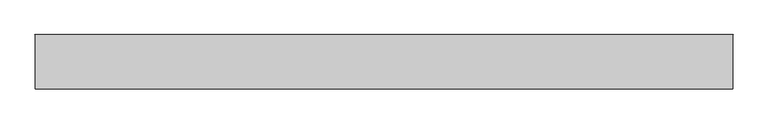
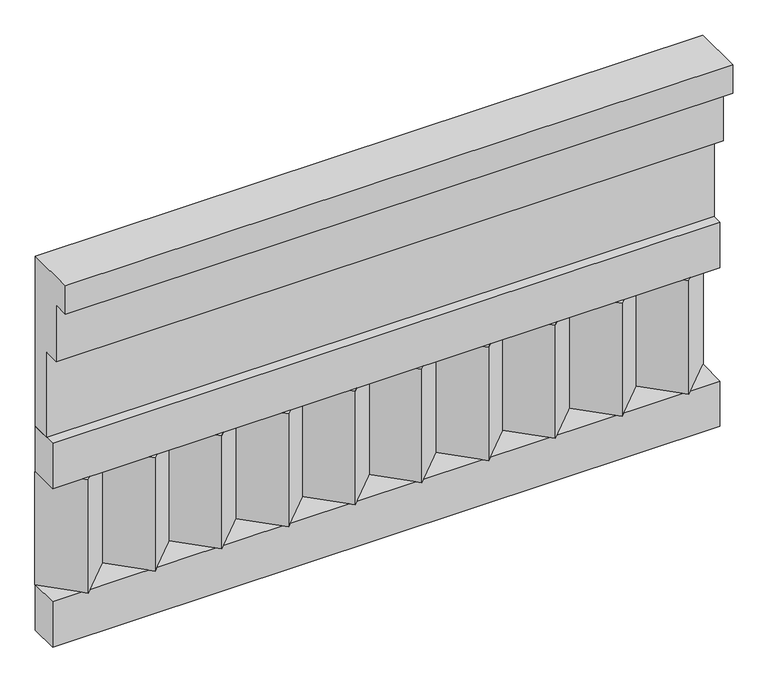
"""IFC4 building model written with IfcOpenShell, lengths in millimetres: railing geometry."""

from ifc_helpers import new_model, si_unit, frame, origin, place, context, project, spatial, polyline, outline, extrude, source, transform, mapped, element, save


def railing_d3763744(model_context):
    return source(origin(), model_context, "Body", "SweptSolid", [
        extrude(outline(polyline([(-16816.8920513, 15200.0), (-16816.8920513, 14750.0), (-16866.8920513, 14750.0), (-16866.8920513, 14975.0), (-16906.8920513, 14975.0), (-16906.8920513, 15125.0), (-16946.8920513, 15125.0), (-16946.8920513, 15200.0), (-16816.8920513, 15200.0)])), frame((-26239.9887159, 0.0, 0.0), z_axis=(1.0, 0.0, 0.0), x_axis=(0.0, 1.0, 0.0)), (0.0, 0.0, 1.0), 1670.0),
        extrude(outline(polyline([(-26239.9887159, -16891.8920513), (-26239.9887159, -16816.8920513), (-24569.9887159, -16816.8920513), (-24569.9887159, -16891.8920513), (-26239.9887159, -16891.8920513)])), frame((0.0, 0.0, 14630.0), z_axis=(0.0, 0.0, 1.0), x_axis=(1.0, 0.0, 0.0)), (0.0, 0.0, 1.0), 120.0),
        extrude(outline(polyline([(-26239.9887159, -16891.8920513), (-26239.9887159, -16816.8920513), (-24569.9887159, -16816.8920513), (-24569.9887159, -16891.8920513), (-26239.9887159, -16891.8920513)])), frame((0.0, 0.0, 14210.0), z_axis=(0.0, 0.0, 1.0), x_axis=(1.0, 0.0, 0.0)), (0.0, 0.0, 1.0), 120.0),
        extrude(outline(polyline([(-24653.4887159, -16901.7448651), (-24738.3415296, -16816.8920513), (-24568.6359022, -16816.8920513), (-24653.4887159, -16901.7448651)])), frame((0.0, 0.0, 14330.0), z_axis=(0.0, 0.0, 1.0), x_axis=(1.0, 0.0, 0.0)), (0.0, 0.0, 1.0), 300.0),
        extrude(outline(polyline([(-24820.4887159, -16901.7448651), (-24905.3415296, -16816.8920513), (-24735.6359022, -16816.8920513), (-24820.4887159, -16901.7448651)])), frame((0.0, 0.0, 14330.0), z_axis=(0.0, 0.0, 1.0), x_axis=(1.0, 0.0, 0.0)), (0.0, 0.0, 1.0), 300.0),
        extrude(outline(polyline([(-24987.4887159, -16901.7448651), (-25072.3415296, -16816.8920513), (-24902.6359022, -16816.8920513), (-24987.4887159, -16901.7448651)])), frame((0.0, 0.0, 14330.0), z_axis=(0.0, 0.0, 1.0), x_axis=(1.0, 0.0, 0.0)), (0.0, 0.0, 1.0), 300.0),
        extrude(outline(polyline([(-25154.4887159, -16901.7448651), (-25239.3415296, -16816.8920513), (-25069.6359022, -16816.8920513), (-25154.4887159, -16901.7448651)])), frame((0.0, 0.0, 14330.0), z_axis=(0.0, 0.0, 1.0), x_axis=(1.0, 0.0, 0.0)), (0.0, 0.0, 1.0), 300.0),
        extrude(outline(polyline([(-25321.4887159, -16901.7448651), (-25406.3415296, -16816.8920513), (-25236.6359022, -16816.8920513), (-25321.4887159, -16901.7448651)])), frame((0.0, 0.0, 14330.0), z_axis=(0.0, 0.0, 1.0), x_axis=(1.0, 0.0, 0.0)), (0.0, 0.0, 1.0), 300.0),
        extrude(outline(polyline([(-25488.4887159, -16901.7448651), (-25573.3415296, -16816.8920513), (-25403.6359022, -16816.8920513), (-25488.4887159, -16901.7448651)])), frame((0.0, 0.0, 14330.0), z_axis=(0.0, 0.0, 1.0), x_axis=(1.0, 0.0, 0.0)), (0.0, 0.0, 1.0), 300.0),
        extrude(outline(polyline([(-25655.4887159, -16901.7448651), (-25740.3415296, -16816.8920513), (-25570.6359022, -16816.8920513), (-25655.4887159, -16901.7448651)])), frame((0.0, 0.0, 14330.0), z_axis=(0.0, 0.0, 1.0), x_axis=(1.0, 0.0, 0.0)), (0.0, 0.0, 1.0), 300.0),
        extrude(outline(polyline([(-25822.4887159, -16901.7448651), (-25907.3415296, -16816.8920513), (-25737.6359022, -16816.8920513), (-25822.4887159, -16901.7448651)])), frame((0.0, 0.0, 14330.0), z_axis=(0.0, 0.0, 1.0), x_axis=(1.0, 0.0, 0.0)), (0.0, 0.0, 1.0), 300.0),
        extrude(outline(polyline([(-25989.4887159, -16901.7448651), (-26074.3415296, -16816.8920513), (-25904.6359022, -16816.8920513), (-25989.4887159, -16901.7448651)])), frame((0.0, 0.0, 14330.0), z_axis=(0.0, 0.0, 1.0), x_axis=(1.0, 0.0, 0.0)), (0.0, 0.0, 1.0), 300.0),
        extrude(outline(polyline([(-26156.4887159, -16901.7448651), (-26241.3415296, -16816.8920513), (-26071.6359022, -16816.8920513), (-26156.4887159, -16901.7448651)])), frame((0.0, 0.0, 14330.0), z_axis=(0.0, 0.0, 1.0), x_axis=(1.0, 0.0, 0.0)), (0.0, 0.0, 1.0), 300.0),
    ])


if __name__ == "__main__":
    model = new_model("IFC4")
    model_context = context("Model", 3, world=origin())
    ifc_project = project(units=[si_unit("LENGTHUNIT", "METRE", prefix="MILLI")], contexts=[model_context])
    site = spatial("IfcSite", under=ifc_project)
    building = spatial("IfcBuilding", under=site)
    placement = place(None, origin())
    railing_shape = railing_d3763744(model_context)
    element("IfcRailing", 1, at=placement, inside=building, context=model_context, shape_type="MappedRepresentation", body=[
        mapped(railing_shape, transform((0.0, 0.0, 0.0), x_axis=(1.0, 0.0, 0.0), y_axis=(0.0, 1.0, 0.0), z_axis=(0.0, 0.0, 1.0))),
    ])
    save(model, "model.ifc")
